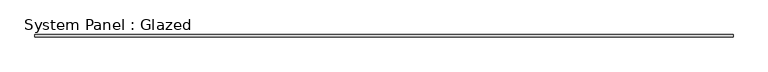
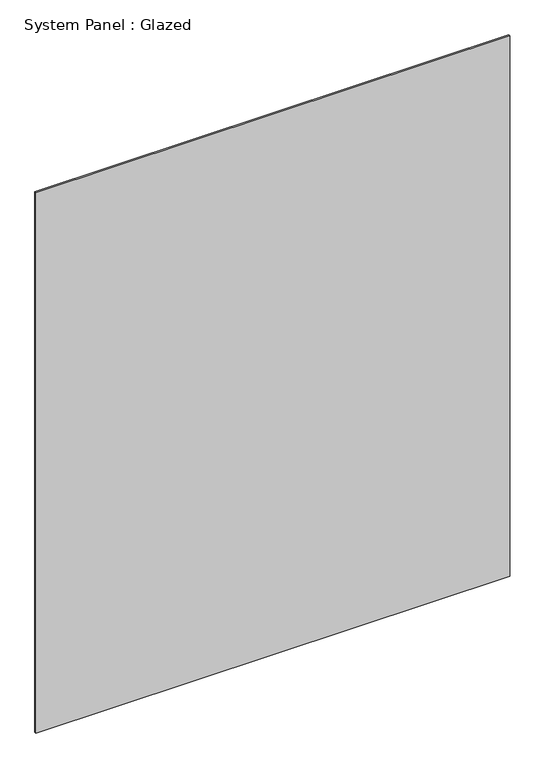
"""IFC4 building model written with IfcOpenShell, lengths in millimetres: plate geometry, System Panel : Glazed."""

from ifc_helpers import new_model, si_unit, origin, origin_with_axes, place, context, project, spatial, polyline, outline, extrude, source, transform, mapped, element, save


def system_panel_glazed_94b1e942(model_context):
    return source(origin(), model_context, "Body", "SweptSolid", [
        extrude(outline(polyline([(975.0, -3.0), (-975.0, -3.0), (-975.0, 3.0), (975.0, 3.0), (975.0, -3.0)])), origin_with_axes(), (0.0, 0.0, 1.0), 2350.0),
    ])


if __name__ == "__main__":
    model = new_model("IFC4")
    model_context = context("Model", 3, world=origin())
    ifc_project = project(units=[si_unit("LENGTHUNIT", "METRE", prefix="MILLI")], contexts=[model_context])
    site = spatial("IfcSite", under=ifc_project)
    building = spatial("IfcBuilding", under=site)
    placement = place(None, origin())
    system_panel_glazed_shape = system_panel_glazed_94b1e942(model_context)
    element("IfcPlate", 1, ObjectType="System Panel : Glazed", at=placement, inside=building, context=model_context, shape_type="MappedRepresentation", body=[
        mapped(system_panel_glazed_shape, transform((0.0, 0.0, 0.0), x_axis=(1.0, 0.0, 0.0), y_axis=(0.0, 1.0, 0.0), z_axis=(0.0, 0.0, 1.0))),
    ])
    save(model, "model.ifc")
